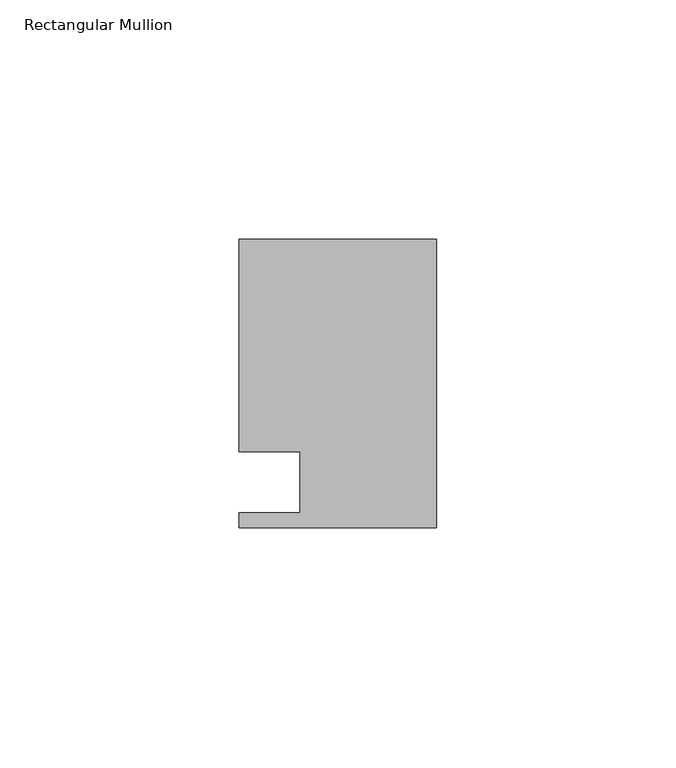
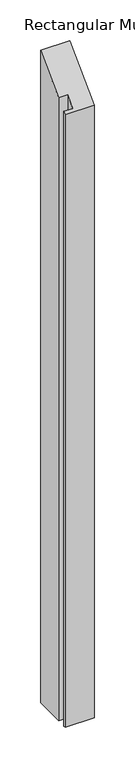
"""IFC4 building model written with IfcOpenShell, lengths in millimetres: member geometry, Rectangular Mullion."""

from ifc_helpers import new_model, si_unit, origin, place, context, project, spatial, faceted_brep, source, transform, mapped, element, save


def rectangular_mullion_57c8db7e(model_context):
    return source(origin(), model_context, "Body", "Brep", [
        faceted_brep([(0.0, 30.1625, -949.325), (0.0, -30.1625, -949.325), (-41.275, -30.1625, -949.325), (-41.275, -26.9875, -949.325), (-28.575, -26.9875, -949.325), (-28.575, -14.2875, -949.325), (-41.275, -14.2875, -949.325), (-41.275, 30.1625, -949.325), (-41.275, 30.1625, 30.1625), (0.0, 30.1625, 30.1625), (-41.275, -14.2875, -14.2875), (-28.575, -14.2875, -14.2875), (-28.575, -26.9875, -26.9875), (-41.275, -26.9875, -26.9875), (-41.275, -30.1625, -30.1625), (0.0, -30.1625, -30.1625)], [[[0, 1, 2, 3, 4, 5, 6, 7]], [[8, 9, 0, 7]], [[10, 8, 7, 6]], [[11, 10, 6, 5]], [[12, 11, 5, 4]], [[13, 12, 4, 3]], [[14, 13, 3, 2]], [[15, 14, 2, 1]], [[9, 15, 1, 0]], [[9, 8, 10, 11, 12, 13, 14, 15]]]),
    ])


if __name__ == "__main__":
    model = new_model("IFC4")
    model_context = context("Model", 3, world=origin())
    ifc_project = project(units=[si_unit("LENGTHUNIT", "METRE", prefix="MILLI")], contexts=[model_context])
    site = spatial("IfcSite", under=ifc_project)
    building = spatial("IfcBuilding", under=site)
    placement = place(None, origin())
    rectangular_mullion_shape = rectangular_mullion_57c8db7e(model_context)
    element("IfcMember", 1, ObjectType="Rectangular Mullion", at=placement, inside=building, context=model_context, shape_type="MappedRepresentation", body=[
        mapped(rectangular_mullion_shape, transform((0.0, 0.0, 0.0), x_axis=(1.0, 0.0, 0.0), y_axis=(0.0, 1.0, 0.0), z_axis=(0.0, 0.0, 1.0))),
    ])
    save(model, "model.ifc")
